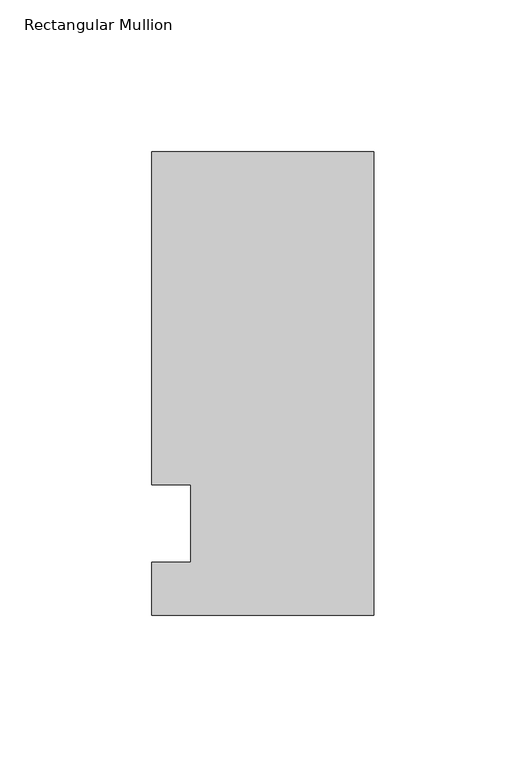
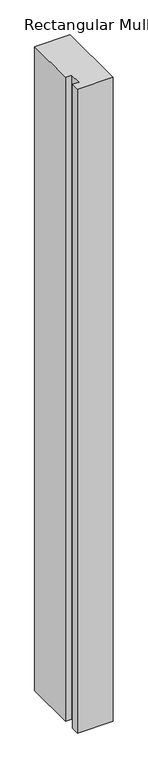
"""IFC4 building model written with IfcOpenShell, lengths in millimetres: member geometry, Rectangular Mullion."""

from ifc_helpers import new_model, si_unit, frame, origin, place, context, project, spatial, polyline, outline, extrude, source, transform, mapped, element, save


def rectangular_mullion_e2404d58(model_context):
    return source(origin(), model_context, "Body", "SweptSolid", [
        extrude(outline(polyline([(-73.025, 122.2375), (0.0, 122.2375), (0.0, -30.1625), (-73.025, -30.1625), (-73.025, -12.7), (-60.3232296, -12.7), (-60.3232296, 12.7), (-73.025, 12.7), (-73.025, 122.2375)])), frame((0.0, 0.0, -1397.957264), z_axis=(0.0, 0.0, 1.0), x_axis=(1.0, 0.0, 0.0)), (0.0, 0.0, 1.0), 1397.957264),
    ])


if __name__ == "__main__":
    model = new_model("IFC4")
    model_context = context("Model", 3, world=origin())
    ifc_project = project(units=[si_unit("LENGTHUNIT", "METRE", prefix="MILLI")], contexts=[model_context])
    site = spatial("IfcSite", under=ifc_project)
    building = spatial("IfcBuilding", under=site)
    placement = place(None, origin())
    rectangular_mullion_shape = rectangular_mullion_e2404d58(model_context)
    element("IfcMember", 1, ObjectType="Rectangular Mullion", at=placement, inside=building, context=model_context, shape_type="MappedRepresentation", body=[
        mapped(rectangular_mullion_shape, transform((0.0, 0.0, 0.0), x_axis=(1.0, 0.0, 0.0), y_axis=(0.0, 1.0, 0.0), z_axis=(0.0, 0.0, 1.0))),
    ])
    save(model, "model.ifc")
